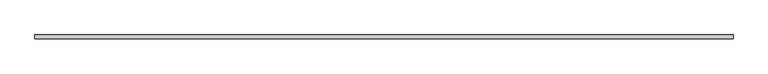
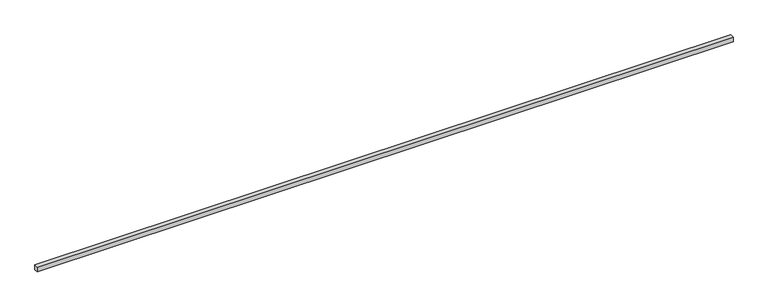
"""IFC4 building model written with IfcOpenShell, lengths in millimetres: proxy geometry."""

from ifc_helpers import new_model, si_unit, frame, origin, place, context, project, spatial, polyline, outline, extrude, source, transform, mapped, element, save


def generic_models_90c50345(model_context):
    return source(origin(), model_context, "Body", "SweptSolid", [
        extrude(outline(polyline([(40.0, 0.0), (-40.0, 0.0), (-40.0, 14135.0), (40.0, 14135.0), (40.0, 0.0)])), frame((14135.0, 0.0, 0.0), z_axis=(0.0, -1.9783474858313244e-12, 1.0), x_axis=(0.0, 1.0, 1.9783474858313244e-12)), (0.0, 0.0, 1.0), 100.0),
    ])


if __name__ == "__main__":
    model = new_model("IFC4")
    model_context = context("Model", 3, world=origin())
    ifc_project = project(units=[si_unit("LENGTHUNIT", "METRE", prefix="MILLI")], contexts=[model_context])
    site = spatial("IfcSite", under=ifc_project)
    building = spatial("IfcBuilding", under=site)
    placement = place(None, origin())
    generic_models_shape = generic_models_90c50345(model_context)
    element("IfcBuildingElementProxy", 1, Name="Generic Models", at=placement, inside=building, context=model_context, shape_type="MappedRepresentation", body=[
        mapped(generic_models_shape, transform((0.0, 0.0, 0.0), x_axis=(1.0, 0.0, 0.0), y_axis=(0.0, 1.0, 0.0), z_axis=(0.0, 0.0, 1.0))),
    ])
    save(model, "model.ifc")
